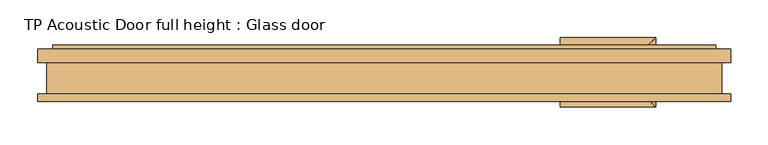
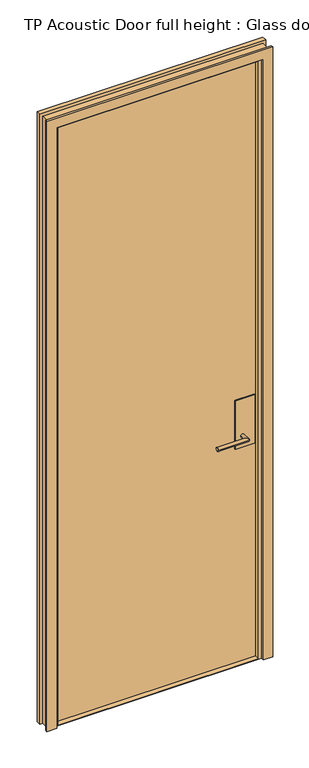
"""IFC4 building model written with IfcOpenShell, lengths in millimetres: door geometry, TP Acoustic Door full height : Glass door."""

import ifcopenshell
import ifcopenshell.guid

model = None  # the IFC model being written
_history = None  # IfcOwnerHistory: only IFC2X3 demands one
_inside = {}  # id of a spatial element -> (the spatial element, [elements in it])
_under = {}  # id of a project, library or spatial element -> (it, [spatial elements below it])
_declared = {}  # id of a project -> (the project, [libraries it declares])
_typed = {}  # id of a type object -> (the type object, [elements of that type])
_made_of = {}  # id of a material, layer set ... -> (it, [elements and type objects made of it])


def new_model(schema):
    """Start an empty IFC model of exactly this schema.

    Asked for "IFC4X3", IfcOpenShell would pick the latest addendum, in which some entities
    have other attributes; the version numbers below select the first issue.
    IFC2X3 requires an IfcOwnerHistory on every rooted entity: one is made here for all.
    """
    global model, _history
    if schema == "IFC4X3":
        model = ifcopenshell.file(schema_version=(4, 3, 0, 0))
    else:
        model = ifcopenshell.file(schema=schema)
    _inside.clear()
    _under.clear()
    _declared.clear()
    _typed.clear()
    _made_of.clear()
    _history = None
    if model.schema == "IFC2X3":
        org = make("IfcOrganization", Name="unknown")
        user = make(
            "IfcPersonAndOrganization",
            ThePerson=make("IfcPerson", FamilyName="unknown"),
            TheOrganization=org,
        )
        app = make(
            "IfcApplication",
            ApplicationDeveloper=org,
            Version="unknown",
            ApplicationFullName="unknown",
            ApplicationIdentifier="unknown",
        )
        _history = make(
            "IfcOwnerHistory",
            OwningUser=user,
            OwningApplication=app,
            ChangeAction="ADDED",
            CreationDate=0,
        )
    return model


def make(cls, **values):
    """One entity of the class cls with the attributes given. An attribute that is None is left unset."""
    return model.create_entity(
        cls, **{name: value for name, value in values.items() if value is not None}
    )


def rooted(cls, **values):
    """An entity with a GlobalId (a new one), such as an element, a storey or a relation."""
    return make(cls, GlobalId=ifcopenshell.guid.new(), OwnerHistory=_history, **values)


def si_unit(unit_type, name, prefix=None):
    """IfcSIUnit, for example si_unit("LENGTHUNIT", "METRE", prefix="MILLI")."""
    return make("IfcSIUnit", UnitType=unit_type, Prefix=prefix, Name=name)


def assignment(units):
    """IfcUnitAssignment: the units of a project."""
    return None if units is None else make("IfcUnitAssignment", Units=units)


def point(xyz):
    """IfcCartesianPoint."""
    return None if xyz is None else make("IfcCartesianPoint", Coordinates=xyz)


def direction(xyz):
    """IfcDirection."""
    return None if xyz is None else make("IfcDirection", DirectionRatios=xyz)


def frame(location, z_axis=None, x_axis=None):
    """IfcAxis2Placement3D, a coordinate frame: its origin and axes. An axis left out is left unset."""
    return make(
        "IfcAxis2Placement3D",
        Location=point(location),
        Axis=direction(z_axis),
        RefDirection=direction(x_axis),
    )


def origin():
    """The frame at (0, 0, 0) with its axes left unset."""
    return frame((0.0, 0.0, 0.0))


def origin_with_axes():
    """The frame at (0, 0, 0) with the z axis (0, 0, 1) and the x axis (1, 0, 0) written out."""
    return frame((0.0, 0.0, 0.0), z_axis=(0.0, 0.0, 1.0), x_axis=(1.0, 0.0, 0.0))


def place(relative_to, where):
    """IfcLocalPlacement: puts the frame where relative to a parent placement (None: the world)."""
    return make(
        "IfcLocalPlacement", PlacementRelTo=relative_to, RelativePlacement=where
    )


def context(
    kind, dimensions, precision=None, world=None, true_north=None, identifier=None
):
    """IfcGeometricRepresentationContext, for example the 3D "Model" context."""
    return make(
        "IfcGeometricRepresentationContext",
        ContextIdentifier=identifier,
        ContextType=kind,
        CoordinateSpaceDimension=dimensions,
        Precision=precision,
        WorldCoordinateSystem=world,
        TrueNorth=true_north,
    )


def project(units=None, contexts=None):
    """IfcProject with its units and contexts."""
    return rooted(
        "IfcProject",
        Name="project",
        RepresentationContexts=contexts,
        UnitsInContext=assignment(units),
    )


def spatial(cls, under=None, at=None, **own):
    """A site, building, storey or space (cls), placed at a placement, below another one or the project."""
    s = rooted(cls, ObjectPlacement=at, **own)
    if under is not None:
        _under.setdefault(under.id(), (under, []))[1].append(s)
    return s


def polyline(points):
    """IfcPolyline through the points."""
    return make("IfcPolyline", Points=[point(p) for p in points])


def circle_curve(where, radius):
    """IfcCircle in the frame where."""
    return make("IfcCircle", Position=where, Radius=radius)


def ellipse_curve(where, semi_axis1, semi_axis2):
    """IfcEllipse in the frame where."""
    return make(
        "IfcEllipse", Position=where, SemiAxis1=semi_axis1, SemiAxis2=semi_axis2
    )


def outline(outer, holes=None, kind="AREA"):
    """IfcArbitraryClosedProfileDef: a profile drawn as a closed curve; with holes, ...WithVoids."""
    if holes is None:
        return make("IfcArbitraryClosedProfileDef", ProfileType=kind, OuterCurve=outer)
    return make(
        "IfcArbitraryProfileDefWithVoids",
        ProfileType=kind,
        OuterCurve=outer,
        InnerCurves=holes,
    )


def extrude(swept, where, along, depth):
    """IfcExtrudedAreaSolid: the profile swept, set in the frame where, extruded along a direction by depth."""
    return make(
        "IfcExtrudedAreaSolid",
        SweptArea=swept,
        Position=where,
        ExtrudedDirection=direction(along),
        Depth=depth,
    )


def faces_of(points, faces, orient=None, outer=None):
    """IfcFace entities. A face is a list of loops; a loop is a list of indices into points, from 0.

    orient and outer hold one flag for each loop. By default every Orientation is true, the
    first loop of a face is its IfcFaceOuterBound and the others are IfcFaceBound.
    """
    made = []
    for i, loops in enumerate(faces):
        bounds = []
        for j, loop in enumerate(loops):
            is_outer = j == 0 if outer is None else outer[i][j]
            bounds.append(
                make(
                    "IfcFaceOuterBound" if is_outer else "IfcFaceBound",
                    Bound=make("IfcPolyLoop", Polygon=[points[k] for k in loop]),
                    Orientation=True if orient is None else orient[i][j],
                )
            )
        made.append(make("IfcFace", Bounds=bounds))
    return made


def faceted_brep(points, faces, orient=None, outer=None, voids=None):
    """IfcFacetedBrep: a solid bounded by flat faces; with voids (closed shells), ...WithVoids."""
    shared = [point(p) for p in points]
    hull = make("IfcClosedShell", CfsFaces=faces_of(shared, faces, orient, outer))
    if voids is None:
        return make("IfcFacetedBrep", Outer=hull)
    return make(
        "IfcFacetedBrepWithVoids",
        Outer=hull,
        Voids=[
            make(cls, CfsFaces=faces_of(shared, fs, o, b)) for cls, fs, o, b in voids
        ],
    )


def shape(context_of_items, identifier, shape_type, items):
    """IfcShapeRepresentation: the items that make up one representation, for example the "Body"."""
    return make(
        "IfcShapeRepresentation",
        ContextOfItems=context_of_items,
        RepresentationIdentifier=identifier,
        RepresentationType=shape_type,
        Items=items,
    )


def source(mapping_origin, context_of_items, identifier, shape_type, items):
    """IfcRepresentationMap: a shape defined once, which mapped items show again and again."""
    return make(
        "IfcRepresentationMap",
        MappingOrigin=mapping_origin,
        MappedRepresentation=shape(context_of_items, identifier, shape_type, items),
    )


def transform(
    local_origin,
    x_axis=None,
    y_axis=None,
    z_axis=None,
    scale=None,
    scale2=None,
    scale3=None,
    uniform=True,
):
    """IfcCartesianTransformationOperator3D, or its non-uniform kind. x_axis, y_axis, z_axis: its Axis1, 2, 3."""
    if uniform:
        return make(
            "IfcCartesianTransformationOperator3D",
            Axis1=direction(x_axis),
            Axis2=direction(y_axis),
            LocalOrigin=point(local_origin),
            Scale=scale,
            Axis3=direction(z_axis),
        )
    return make(
        "IfcCartesianTransformationOperator3DnonUniform",
        Axis1=direction(x_axis),
        Axis2=direction(y_axis),
        LocalOrigin=point(local_origin),
        Scale=scale,
        Axis3=direction(z_axis),
        Scale2=scale2,
        Scale3=scale3,
    )


def mapped(mapping_source, mapping_target):
    """IfcMappedItem: shows the shape of a source again, moved by a transform."""
    return make(
        "IfcMappedItem", MappingSource=mapping_source, MappingTarget=mapping_target
    )


def made_of(thing, what):
    """Note that an element or type object is made of a material, layer set ...; save() writes the relation."""
    if what is not None:
        _made_of.setdefault(what.id(), (what, []))[1].append(thing)
    return thing


def element(
    cls,
    number,
    at=None,
    inside=None,
    cuts=None,
    type_object=None,
    material=None,
    context=None,
    identifier="Body",
    shape_type=None,
    held_by="IfcProductDefinitionShape",
    body=None,
    shapes=None,
    **own,
):
    """One element of the class cls, such as IfcWall. Its Tag is "e" and its number.

    at: its placement. inside: the storey or other place that contains it. cuts: it is an
    opening in that element (IfcRelVoidsElement). A single representation is given by context,
    identifier, shape_type and body (its items); several are given by shapes. held_by: the class
    of the entity that holds the representations. save() writes the other relations.
    """
    e = rooted(cls, Tag="e%d" % number, ObjectPlacement=at, **own)
    if body is not None:
        shapes = [shape(context, identifier, shape_type, body)]
    if shapes is not None:
        e.Representation = make(held_by, Representations=shapes)
    if inside is not None:
        _inside.setdefault(inside.id(), (inside, []))[1].append(e)
    if cuts is not None:
        rooted(
            "IfcRelVoidsElement", RelatingBuildingElement=cuts, RelatedOpeningElement=e
        )
    if type_object is not None:
        _typed.setdefault(type_object.id(), (type_object, []))[1].append(e)
    return made_of(e, material)


def aggregate(whole, parts):
    """IfcRelAggregates: a whole, such as a stair, and the parts it consists of."""
    return rooted("IfcRelAggregates", RelatingObject=whole, RelatedObjects=parts)


def save(model, path):
    """Write the relations noted so far, then the file.

    IfcRelAggregates (storeys below a building ...), IfcRelContainedInSpatialStructure (elements
    in a storey), IfcRelDefinesByType, IfcRelAssociatesMaterial and IfcRelDeclares: one each for
    every whole, place, type object, material and project.
    """
    for whole, parts in _under.values():
        aggregate(whole, parts)
    for where, things in _inside.values():
        rooted(
            "IfcRelContainedInSpatialStructure",
            RelatedElements=things,
            RelatingStructure=where,
        )
    for kind, things in _typed.values():
        rooted("IfcRelDefinesByType", RelatedObjects=things, RelatingType=kind)
    for what, things in _made_of.values():
        rooted("IfcRelAssociatesMaterial", RelatedObjects=things, RelatingMaterial=what)
    for by, libraries in _declared.values():
        rooted("IfcRelDeclares", RelatingContext=by, RelatedDefinitions=libraries)
    model.write(path)


def plane_surface(at):
    """IfcPlane: the flat surface through the origin of the frame at, square to its z axis."""
    return make("IfcPlane", Position=at)


def cylinder_surface(at, radius):
    """IfcCylindricalSurface: all points at the distance radius from the z axis of the frame at."""
    return make("IfcCylindricalSurface", Position=at, Radius=radius)


def advanced_brep(points, edges, surfaces, faces):
    """IfcAdvancedBrep: a solid bounded by faces that lie on surfaces and meet in shared edges.

    An edge is (start, end): straight between two places in points (the first is 0);
    or (start, end, curve); or (start, end, curve, False) where it runs against its curve.
    A face is (place in surfaces, loops), or (place, loops, False) where it looks against
    its surface's normal. A loop lists edges by number (the first is 1), with a minus sign
    where the edge is run from its end to its start. The first loop is the outer one.
    """
    corners = [point(p) for p in points]
    vertices = [make("IfcVertexPoint", VertexGeometry=c) for c in corners]
    made = []
    for start, end, *more in edges:
        made.append(
            make(
                "IfcEdgeCurve",
                EdgeStart=vertices[start],
                EdgeEnd=vertices[end],
                EdgeGeometry=more[0] if more else make("IfcPolyline", Points=[corners[start], corners[end]]),
                SameSense=more[1] if len(more) > 1 else True,
            )
        )
    hull = []
    for where, loops, *sense in faces:
        bounds = []
        for j, loop in enumerate(loops):
            ring = [make("IfcOrientedEdge", EdgeElement=made[abs(k) - 1], Orientation=k > 0) for k in loop]
            bounds.append(
                make(
                    "IfcFaceOuterBound" if j == 0 else "IfcFaceBound",
                    Bound=make("IfcEdgeLoop", EdgeList=ring),
                    Orientation=True,
                )
            )
        hull.append(make("IfcAdvancedFace", Bounds=bounds, FaceSurface=surfaces[where], SameSense=sense[0] if sense else True))
    return make("IfcAdvancedBrep", Outer=make("IfcClosedShell", CfsFaces=hull))


def tp_acoustic_door_full_height_glass_door_381b7efe(model_context):
    return source(origin(), model_context, "Body", "SolidModel", [
        advanced_brep(
        [(362.5, -0.5, 977.0), (347.5, -0.5, 977.0), (347.5, -23.0, 977.0), (362.5, -38.0, 977.0), (235.0, -38.0, 977.0), (235.0, -23.0, 977.0)],
        [
            (0, 1, circle_curve(frame((355.0, -0.5, 977.0), z_axis=(0.0, 1.0, 0.0), x_axis=(-1.0, 0.0, 0.0)), 7.5)),
            (1, 0, circle_curve(frame((355.0, -0.5, 977.0), z_axis=(0.0, 1.0, 0.0), x_axis=(-1.0, 0.0, 0.0)), 7.5)),
            (1, 2),
            (2, 3, ellipse_curve(frame((355.0, -30.5, 977.0), z_axis=(0.7071067811865475, 0.7071067811865475, 0.0), x_axis=(-0.7071067811865474, 0.7071067811865476, 0.0)), 10.6066017, 7.5)),
            (3, 0),
            (3, 2, ellipse_curve(frame((355.0, -30.5, 977.0), z_axis=(0.7071067811865475, 0.7071067811865475, 0.0), x_axis=(-0.7071067811865474, 0.7071067811865476, 0.0)), 10.6066017, 7.5)),
            (4, 5, circle_curve(frame((235.0, -30.5, 977.0), z_axis=(-1.0, 0.0, 0.0), x_axis=(0.0, 1.0, 0.0)), 7.5)),
            (5, 4, circle_curve(frame((235.0, -30.5, 977.0), z_axis=(-1.0, 0.0, 0.0), x_axis=(0.0, 1.0, 0.0)), 7.5)),
            (2, 5),
            (4, 3),
        ],
        [
            plane_surface(frame((355.0, -0.5, 977.0), z_axis=(0.0, 1.0, 0.0), x_axis=(0.0, 0.0, 1.0))),
            cylinder_surface(frame((355.0, -0.5, 977.0), z_axis=(0.0, 1.0, 0.0), x_axis=(-1.0, 0.0, 0.0)), 7.5),
            plane_surface(frame((235.0, -30.5, 977.0), z_axis=(-1.0, 0.0, 0.0), x_axis=(0.0, 0.0, 1.0))),
            cylinder_surface(frame((355.0, -30.5, 977.0), z_axis=(1.0, 0.0, 0.0), x_axis=(0.0, 1.0, 0.0)), 7.5),
        ],
        [
            (0, [[1, 2]]),
            (1, [[3, 4, 5, -2]]),
            (1, [[-5, 6, -3, -1]]),
            (2, [[7, 8]]),
            (3, [[9, -7, 10, -4]]),
            (3, [[-10, -8, -9, -6]]),
        ],
    ),
        advanced_brep(
        [(347.5, 17.5, 977.0), (362.5, 17.5, 977.0), (362.5, 55.0, 977.0), (347.5, 40.0, 977.0), (235.0, 40.0, 977.0), (235.0, 55.0, 977.0)],
        [
            (0, 1, circle_curve(frame((355.0, 17.5, 977.0), z_axis=(0.0, -1.0, 0.0), x_axis=(1.0, 0.0, 0.0)), 7.5)),
            (1, 0, circle_curve(frame((355.0, 17.5, 977.0), z_axis=(0.0, -1.0, 0.0), x_axis=(1.0, 0.0, 0.0)), 7.5)),
            (1, 2),
            (2, 3, ellipse_curve(frame((355.0, 47.5, 977.0), z_axis=(0.7071067811865475, -0.7071067811865475, 0.0), x_axis=(-0.7071067811865474, -0.7071067811865476, 0.0)), 10.6066017, 7.5)),
            (3, 0),
            (3, 2, ellipse_curve(frame((355.0, 47.5, 977.0), z_axis=(0.7071067811865475, -0.7071067811865475, 0.0), x_axis=(-0.7071067811865474, -0.7071067811865476, 0.0)), 10.6066017, 7.5)),
            (4, 5, circle_curve(frame((235.0, 47.5, 977.0), z_axis=(-1.0, 0.0, 0.0), x_axis=(0.0, 1.0, 0.0)), 7.5)),
            (5, 4, circle_curve(frame((235.0, 47.5, 977.0), z_axis=(-1.0, 0.0, 0.0), x_axis=(0.0, 1.0, 0.0)), 7.5)),
            (2, 5),
            (4, 3),
        ],
        [
            plane_surface(frame((355.0, 17.5, 977.0), z_axis=(0.0, -1.0, 0.0), x_axis=(0.0, 0.0, 1.0))),
            cylinder_surface(frame((355.0, 17.5, 977.0), z_axis=(0.0, -1.0, 0.0), x_axis=(1.0, 0.0, 0.0)), 7.5),
            plane_surface(frame((235.0, 47.5, 977.0), z_axis=(-1.0, 0.0, 0.0), x_axis=(0.0, 0.0, 1.0))),
            cylinder_surface(frame((355.0, 47.5, 977.0), z_axis=(1.0, 0.0, 0.0), x_axis=(0.0, 1.0, 0.0)), 7.5),
        ],
        [
            (0, [[1, 2]]),
            (1, [[3, 4, 5, -2]]),
            (1, [[-5, 6, -3, -1]]),
            (2, [[7, 8]]),
            (3, [[9, -7, 10, -4]]),
            (3, [[-10, -8, -9, -6]]),
        ],
    ),
        extrude(outline(polyline([(405.0, -0.5), (325.0, -0.5), (325.0, 17.5), (405.0, 17.5), (405.0, -0.5)])), frame((0.0, 0.0, 927.0), z_axis=(0.0, 0.0, 1.0), x_axis=(1.0, 0.0, 0.0)), (0.0, 0.0, 1.0), 210.0),
        faceted_brep([(450.0, -21.0, 0.0), (462.0, -21.0, 0.0), (462.0, -30.5, 0.0), (423.0, -30.5, 0.0), (423.0, -18.5, 0.0), (410.0, -18.5, 0.0), (410.0, 0.5, 0.0), (422.0, 0.5, 0.0), (422.0, 44.5, 0.0), (442.0, 44.5, 0.0), (442.0, 39.5, 0.0), (462.0, 39.5, 0.0), (462.0, 21.0, 0.0), (450.0, 21.0, 0.0), (450.0, -21.0, 2628.0), (-450.0, -21.0, 2628.0), (-450.0, -21.0, 0.0), (-462.0, -21.0, 0.0), (-462.0, -21.0, 2640.0), (462.0, -21.0, 2640.0), (462.0, -30.5, 2640.0), (-462.0, -30.5, 2640.0), (-462.0, -30.5, 0.0), (-423.0, -30.5, 0.0), (-423.0, -30.5, 2601.0), (423.0, -30.5, 2601.0), (423.0, -18.5, 2601.0), (-423.0, -18.5, 2601.0), (-423.0, -18.5, 0.0), (-410.0, -18.5, 0.0), (-410.0, -18.5, 2588.0), (410.0, -18.5, 2588.0), (410.0, 0.5, 2588.0), (-410.0, 0.5, 2588.0), (-410.0, 0.5, 0.0), (-422.0, 0.5, 0.0), (-422.0, 0.5, 2600.0), (422.0, 0.5, 2600.0), (422.0, 44.5, 2600.0), (-422.0, 44.5, 2600.0), (-422.0, 44.5, 0.0), (-442.0, 44.5, 0.0), (-442.0, 44.5, 2620.0), (442.0, 44.5, 2620.0), (442.0, 39.5, 2620.0), (-442.0, 39.5, 2620.0), (-442.0, 39.5, 0.0), (-462.0, 39.5, 0.0), (-462.0, 39.5, 2640.0), (462.0, 39.5, 2640.0), (462.0, 21.0, 2640.0), (-462.0, 21.0, 2640.0), (-462.0, 21.0, 0.0), (-450.0, 21.0, 0.0), (-450.0, 21.0, 2628.0), (450.0, 21.0, 2628.0)], [[[0, 1, 2, 3, 4, 5, 6, 7, 8, 9, 10, 11, 12, 13]], [[1, 0, 14, 15, 16, 17, 18, 19]], [[2, 1, 19, 20]], [[3, 2, 20, 21, 22, 23, 24, 25]], [[4, 3, 25, 26]], [[5, 4, 26, 27, 28, 29, 30, 31]], [[6, 5, 31, 32]], [[7, 6, 32, 33, 34, 35, 36, 37]], [[8, 7, 37, 38]], [[9, 8, 38, 39, 40, 41, 42, 43]], [[10, 9, 43, 44]], [[11, 10, 44, 45, 46, 47, 48, 49]], [[12, 11, 49, 50]], [[13, 12, 50, 51, 52, 53, 54, 55]], [[0, 13, 55, 14]], [[16, 53, 52, 47, 46, 41, 40, 35, 34, 29, 28, 23, 22, 17]], [[15, 54, 53, 16]], [[51, 48, 47, 52]], [[45, 42, 41, 46]], [[39, 36, 35, 40]], [[33, 30, 29, 34]], [[27, 24, 23, 28]], [[21, 18, 17, 22]], [[14, 55, 54, 15]], [[20, 19, 18, 21]], [[26, 25, 24, 27]], [[32, 31, 30, 33]], [[38, 37, 36, 39]], [[44, 43, 42, 45]], [[50, 49, 48, 51]]]),
        extrude(outline(polyline([(-415.0, 3.5), (-415.0, 13.5), (415.0, 13.5), (415.0, 3.5), (-415.0, 3.5)])), origin_with_axes(), (0.0, 0.0, 1.0), 2600.0),
        extrude(outline(polyline([(422.0, 44.5), (422.0, 0.5), (410.0, 0.5), (410.0, -18.5), (-410.0, -18.5), (-410.0, 0.5), (-422.0, 0.5), (-422.0, 44.5), (422.0, 44.5)])), origin_with_axes(), (0.0, 0.0, 1.0), 2.0),
    ])


if __name__ == "__main__":
    model = new_model("IFC4")
    model_context = context("Model", 3, world=origin())
    ifc_project = project(units=[si_unit("LENGTHUNIT", "METRE", prefix="MILLI")], contexts=[model_context])
    site = spatial("IfcSite", under=ifc_project)
    building = spatial("IfcBuilding", under=site)
    placement = place(None, origin())
    tp_acoustic_door_full_height_glass_door_shape = tp_acoustic_door_full_height_glass_door_381b7efe(model_context)
    element("IfcDoor", 1, ObjectType="TP Acoustic Door full height : Glass door", at=placement, inside=building, context=model_context, shape_type="MappedRepresentation", body=[
        mapped(tp_acoustic_door_full_height_glass_door_shape, transform((0.0, 0.0, 0.0), x_axis=(1.0, 0.0, 0.0), y_axis=(0.0, 1.0, 0.0), z_axis=(0.0, 0.0, 1.0))),
    ])
    save(model, "model.ifc")
